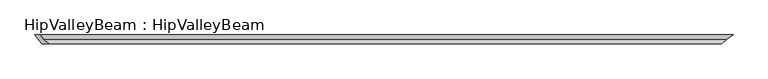
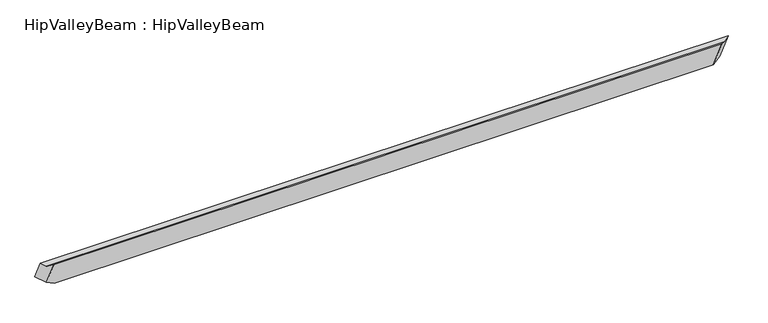
"""IFC4 building model written with IfcOpenShell, lengths in millimetres: beam geometry, HipValleyBeam : HipValleyBeam."""

from ifc_helpers import new_model, si_unit, origin, place, context, project, spatial, faceted_brep, source, transform, mapped, element, save


def hipvalleybeam_hipvalleybeam_9691b6cc(model_context):
    return source(origin(), model_context, "Body", "Brep", [
        faceted_brep([(3110.5000449, 40.0, -140.3557131), (3004.6956156, -40.0, -140.3557131), (-3076.9044377, -40.0, -140.3557131), (-3076.9044377, 40.0, -140.3557131), (3187.6515402, 40.0, 33.0969856), (-3209.8573935, 40.0, -81.2184415), (-3159.0100663, 40.0, 33.0969856), (3084.6011199, -40.0, 39.2885738), (-3083.7996166, -40.0, 39.2885738), (-3149.3684325, -40.0, -108.1238389), (3128.7655857, 0.0, 19.6442869), (-3128.7655857, 0.0, 19.6442869)], [[[0, 1, 2, 3]], [[4, 0, 3, 5, 6]], [[1, 7, 8, 9, 2]], [[1, 0, 4, 10, 7]], [[8, 11, 6, 5, 9]], [[11, 10, 4, 6]], [[3, 2, 9, 5]], [[10, 11, 8, 7]]]),
    ])


if __name__ == "__main__":
    model = new_model("IFC4")
    model_context = context("Model", 3, world=origin())
    ifc_project = project(units=[si_unit("LENGTHUNIT", "METRE", prefix="MILLI")], contexts=[model_context])
    site = spatial("IfcSite", under=ifc_project)
    building = spatial("IfcBuilding", under=site)
    placement = place(None, origin())
    hipvalleybeam_hipvalleybeam_shape = hipvalleybeam_hipvalleybeam_9691b6cc(model_context)
    element("IfcBeam", 1, ObjectType="HipValleyBeam : HipValleyBeam", at=placement, inside=building, context=model_context, shape_type="MappedRepresentation", body=[
        mapped(hipvalleybeam_hipvalleybeam_shape, transform((0.0, 0.0, 0.0), x_axis=(1.0, 0.0, 0.0), y_axis=(0.0, 1.0, 0.0), z_axis=(0.0, 0.0, 1.0))),
    ])
    save(model, "model.ifc")
